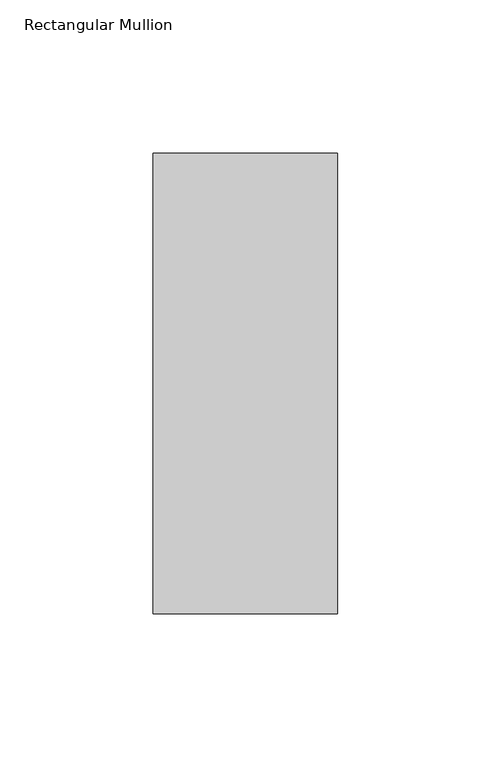
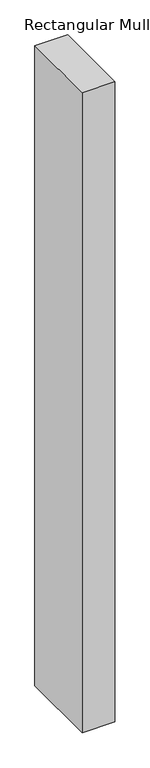
"""IFC4 building model written with IfcOpenShell, lengths in millimetres: member geometry, Rectangular Mullion."""

from ifc_helpers import new_model, si_unit, frame, origin, place, context, project, spatial, polyline, outline, extrude, source, transform, mapped, element, save


def rectangular_mullion_1c21feb9(model_context):
    return source(origin(), model_context, "Body", "SweptSolid", [
        extrude(outline(polyline([(30.0, 75.0), (30.0, -75.0), (-30.0, -75.0), (-30.0, 75.0), (30.0, 75.0)])), frame((0.0, 0.0, -1240.0), z_axis=(0.0, 0.0, 1.0), x_axis=(1.0, 0.0, 0.0)), (0.0, 0.0, 1.0), 1240.0),
    ])


if __name__ == "__main__":
    model = new_model("IFC4")
    model_context = context("Model", 3, world=origin())
    ifc_project = project(units=[si_unit("LENGTHUNIT", "METRE", prefix="MILLI")], contexts=[model_context])
    site = spatial("IfcSite", under=ifc_project)
    building = spatial("IfcBuilding", under=site)
    placement = place(None, origin())
    rectangular_mullion_shape = rectangular_mullion_1c21feb9(model_context)
    element("IfcMember", 1, ObjectType="Rectangular Mullion", at=placement, inside=building, context=model_context, shape_type="MappedRepresentation", body=[
        mapped(rectangular_mullion_shape, transform((0.0, 0.0, 0.0), x_axis=(1.0, 0.0, 0.0), y_axis=(0.0, 1.0, 0.0), z_axis=(0.0, 0.0, 1.0))),
    ])
    save(model, "model.ifc")
